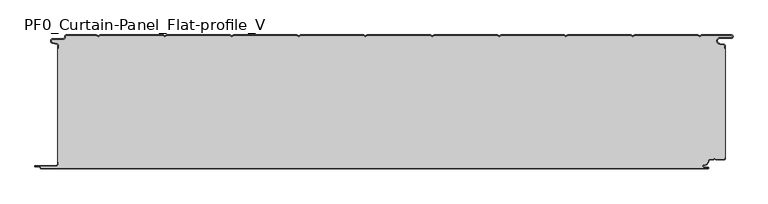
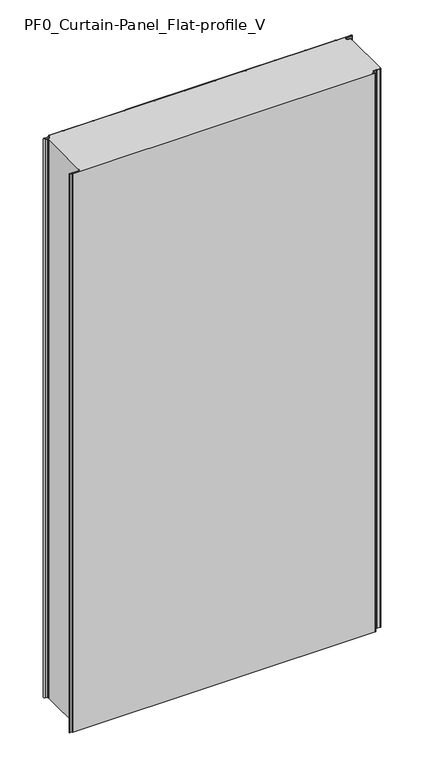
"""IFC4 building model written with IfcOpenShell, lengths in millimetres: plate geometry, PF0_Curtain-Panel_Flat-profile_V."""

from ifc_helpers import new_model, si_unit, point, frame, frame_2d, origin, origin_with_axes, place, context, project, spatial, polyline, circle_curve, trimmed, segment, composite_curve, outline, extrude, source, transform, mapped, element, save
from ifc_brep_helpers import plane_surface, cylinder_surface, revolved_surface, advanced_brep


def pf0_curtain_panel_flat_profile_v_ca90f8be(model_context):
    return source(origin(), model_context, "Body", "SolidModel", [
        advanced_brep(
        [(-500.0, -15.878557, 1945.7507136), (-500.0, -20.0, 1945.7507136), (-499.2, -20.0, 1945.7507136), (-499.2, -15.878557, 1945.7507136), (-501.370137, -13.1503208, 1945.7507136), (-507.529863, -11.728236, 1945.7507136), (-506.9, -6.2, 1945.7507136), (-491.4, -6.2, 1945.7507136), (-488.6, -3.4, 1945.7507136), (-488.6, -2.0, 1945.7507136), (-487.4, -0.8, 1945.7507136), (-442.3143588, -0.8, 1945.7507136), (-439.4, -2.482606, 1945.7507136), (-436.4856412, -0.8, 1945.7507136), (-342.3143588, -0.8, 1945.7507136), (-339.4, -2.482606, 1945.7507136), (-336.4856412, -0.8, 1945.7507136), (-242.3143588, -0.8, 1945.7507136), (-239.4, -2.482606, 1945.7507136), (-236.4856412, -0.8, 1945.7507136), (-142.3143588, -0.8, 1945.7507136), (-139.4, -2.482606, 1945.7507136), (-136.4856412, -0.8, 1945.7507136), (-42.3143588, -0.8, 1945.7507136), (-39.4, -2.482606, 1945.7507136), (-36.4856412, -0.8, 1945.7507136), (57.6856412, -0.8, 1945.7507136), (60.6, -2.482606, 1945.7507136), (63.5143588, -0.8, 1945.7507136), (157.6856412, -0.8, 1945.7507136), (160.6, -2.482606, 1945.7507136), (163.5143588, -0.8, 1945.7507136), (257.6856412, -0.8, 1945.7507136), (260.6, -2.482606, 1945.7507136), (263.5143588, -0.8, 1945.7507136), (357.6856412, -0.8, 1945.7507136), (360.6, -2.482606, 1945.7507136), (363.5143588, -0.8, 1945.7507136), (457.6856412, -0.8, 1945.7507136), (460.6, -2.482606, 1945.7507136), (463.5143588, -0.8, 1945.7507136), (508.1, -0.8, 1945.7507136), (508.1, -4.2, 1945.7507136), (491.1, -4.2, 1945.7507136), (490.2664884, -13.7270771, 1945.7507136), (496.7125669, -14.8636953, 1945.7507136), (498.2, -16.6363492, 1945.7507136), (498.2, -20.0, 1945.7507136), (499.0, -20.0, 1945.7507136), (499.0, -16.6363492, 1945.7507136), (496.8514855, -14.0758491, 1945.7507136), (490.405407, -12.939231, 1945.7507136), (491.1, -5.0, 1945.7507136), (508.1, -5.0, 1945.7507136), (510.6, -2.5, 1945.7507136), (508.1, 0.0, 1945.7507136), (463.2999995, 0.0, 1945.7507136), (460.6, -1.5588455, 1945.7507136), (457.9000005, 0.0, 1945.7507136), (363.2999995, 0.0, 1945.7507136), (360.6, -1.5588455, 1945.7507136), (357.9000005, 0.0, 1945.7507136), (263.2999995, 0.0, 1945.7507136), (260.6, -1.5588455, 1945.7507136), (257.9000005, 0.0, 1945.7507136), (163.2999995, 0.0, 1945.7507136), (160.6, -1.5588455, 1945.7507136), (157.9000005, 0.0, 1945.7507136), (63.2999995, 0.0, 1945.7507136), (60.6, -1.5588455, 1945.7507136), (57.9000005, 0.0, 1945.7507136), (-36.7000005, 0.0, 1945.7507136), (-39.4, -1.5588455, 1945.7507136), (-42.0999995, 0.0, 1945.7507136), (-136.7000005, 0.0, 1945.7507136), (-139.4, -1.5588455, 1945.7507136), (-142.0999995, 0.0, 1945.7507136), (-236.7000005, 0.0, 1945.7507136), (-239.4, -1.5588455, 1945.7507136), (-242.0999995, 0.0, 1945.7507136), (-336.7000005, 0.0, 1945.7507136), (-339.4, -1.5588455, 1945.7507136), (-342.0999995, 0.0, 1945.7507136), (-436.7000005, 0.0, 1945.7507136), (-439.4, -1.5588455, 1945.7507136), (-442.0999995, 0.0, 1945.7507136), (-487.4, 0.0, 1945.7507136), (-489.4, -2.0, 1945.7507136), (-489.4, -3.4, 1945.7507136), (-491.4, -5.4, 1945.7507136), (-506.9, -5.4, 1945.7507136), (-507.7098239, -12.5077322, 1945.7507136), (-501.5500979, -13.929817, 1945.7507136), (-500.0, -15.878557, 0.0), (-501.5500978, -13.9298169, 0.0), (-507.7098239, -12.507732, 0.0), (-506.9, -5.4, 0.0), (-491.4, -5.4, 0.0), (-489.4, -3.4, 0.0), (-489.4, -2.0, 0.0), (-487.4, 0.0, 0.0), (-442.0999995, 0.0, 0.0), (-439.4, -1.5588455, 0.0), (-436.7000005, 0.0, 0.0), (-342.0999995, 0.0, 0.0), (-339.4, -1.5588455, 0.0), (-336.7000005, 0.0, 0.0), (-242.0999995, 0.0, 0.0), (-239.4, -1.5588455, 0.0), (-236.7000005, 0.0, 0.0), (-142.0999995, 0.0, 0.0), (-139.4, -1.5588455, 0.0), (-136.7000005, 0.0, 0.0), (-42.0999995, 0.0, 0.0), (-39.4, -1.5588455, 0.0), (-36.7000005, 0.0, 0.0), (57.9000005, 0.0, 0.0), (60.6, -1.5588455, 0.0), (63.2999995, 0.0, 0.0), (157.9000005, 0.0, 0.0), (160.6, -1.5588455, 0.0), (163.2999995, 0.0, 0.0), (257.9000005, 0.0, 0.0), (260.6, -1.5588455, 0.0), (263.2999995, 0.0, 0.0), (357.9000005, 0.0, 0.0), (360.6, -1.5588455, 0.0), (363.2999995, 0.0, 0.0), (457.9000005, 0.0, 0.0), (460.6, -1.5588455, 0.0), (463.2999995, 0.0, 0.0), (508.1, 0.0, 0.0), (510.6, -2.5, 0.0), (508.1, -5.0, 0.0), (491.1, -5.0, 0.0), (490.405407, -12.939231, 0.0), (496.8514855, -14.0758491, 0.0), (499.0, -16.6363492, 0.0), (499.0, -20.0, 0.0), (498.2, -20.0, 0.0), (498.2, -16.6363492, 0.0), (496.7125669, -14.8636953, 0.0), (490.2664884, -13.7270772, 0.0), (491.1, -4.2, 0.0), (508.1, -4.2, 0.0), (508.1, -0.8, 0.0), (463.5143588, -0.8, 0.0), (460.6, -2.482606, 0.0), (457.6856412, -0.8, 0.0), (363.5143588, -0.8, 0.0), (360.6, -2.482606, 0.0), (357.6856412, -0.8, 0.0), (263.5143588, -0.8, 0.0), (260.6, -2.482606, 0.0), (257.6856412, -0.8, 0.0), (163.5143588, -0.8, 0.0), (160.6, -2.482606, 0.0), (157.6856412, -0.8, 0.0), (63.5143588, -0.8, 0.0), (60.6, -2.482606, 0.0), (57.6856412, -0.8, 0.0), (-36.4856412, -0.8, 0.0), (-39.4, -2.482606, 0.0), (-42.3143588, -0.8, 0.0), (-136.4856412, -0.8, 0.0), (-139.4, -2.482606, 0.0), (-142.3143588, -0.8, 0.0), (-236.4856412, -0.8, 0.0), (-239.4, -2.482606, 0.0), (-242.3143588, -0.8, 0.0), (-336.4856412, -0.8, 0.0), (-339.4, -2.482606, 0.0), (-342.3143588, -0.8, 0.0), (-436.4856412, -0.8, 0.0), (-439.4, -2.482606, 0.0), (-442.3143588, -0.8, 0.0), (-487.4, -0.8, 0.0), (-488.6, -2.0, 0.0), (-488.6, -3.4, 0.0), (-491.4, -6.2, 0.0), (-506.9, -6.2, 0.0), (-507.529863, -11.7282362, 0.0), (-501.370137, -13.150321, 0.0), (-499.2, -15.878557, 0.0), (-499.2, -20.0, 0.0), (-500.0, -20.0, 0.0)],
        [
            (0, 1),
            (1, 2),
            (2, 3),
            (3, 4, circle_curve(frame((-502.0, -15.878557, 1945.7507136), z_axis=(0.0, 0.0, 1.0), x_axis=(1.0, 0.0, 0.0)), 2.8)),
            (4, 5),
            (5, 6, circle_curve(frame((-506.9, -9.0, 1945.7507136), z_axis=(0.0, 0.0, -1.0), x_axis=(1.0, 0.0, 0.0)), 2.8)),
            (6, 7),
            (7, 8, circle_curve(frame((-491.4, -3.4, 1945.7507136), z_axis=(0.0, 0.0, 1.0), x_axis=(1.0, 0.0, 0.0)), 2.8)),
            (8, 9),
            (9, 10, circle_curve(frame((-487.4, -2.0, 1945.7507136), z_axis=(0.0, 0.0, -1.0), x_axis=(1.0, 0.0, 0.0)), 1.2)),
            (10, 11),
            (11, 12),
            (12, 13),
            (13, 14),
            (14, 15),
            (15, 16),
            (16, 17),
            (17, 18),
            (18, 19),
            (19, 20),
            (20, 21),
            (21, 22),
            (22, 23),
            (23, 24),
            (24, 25),
            (25, 26),
            (26, 27),
            (27, 28),
            (28, 29),
            (29, 30),
            (30, 31),
            (31, 32),
            (32, 33),
            (33, 34),
            (34, 35),
            (35, 36),
            (36, 37),
            (37, 38),
            (38, 39),
            (39, 40),
            (40, 41),
            (41, 42, circle_curve(frame((508.1, -2.5, 1945.7507136), z_axis=(0.0, 0.0, -1.0), x_axis=(1.0, 0.0, 0.0)), 1.7)),
            (42, 43),
            (43, 44, circle_curve(frame((491.1, -9.0, 1945.7507136), z_axis=(0.0, 0.0, 1.0), x_axis=(1.0, 0.0, 0.0)), 4.8)),
            (44, 45),
            (45, 46, circle_curve(frame((496.4, -16.6363492, 1945.7507136), z_axis=(0.0, 0.0, -1.0), x_axis=(1.0, 0.0, 0.0)), 1.8)),
            (46, 47),
            (47, 48),
            (48, 49),
            (49, 50, circle_curve(frame((496.4, -16.6363492, 1945.7507136), z_axis=(0.0, 0.0, 1.0), x_axis=(1.0, 0.0, 0.0)), 2.6)),
            (50, 51),
            (51, 52, circle_curve(frame((491.1, -9.0, 1945.7507136), z_axis=(0.0, 0.0, -1.0), x_axis=(1.0, 0.0, 0.0)), 4.0)),
            (52, 53),
            (53, 54, circle_curve(frame((508.1, -2.5, 1945.7507136), z_axis=(0.0, 0.0, 1.0), x_axis=(1.0, 0.0, 0.0)), 2.5)),
            (54, 55, circle_curve(frame((508.1, -2.5, 1945.7507136), z_axis=(0.0, 0.0, 1.0), x_axis=(1.0, 0.0, 0.0)), 2.5)),
            (55, 56),
            (56, 57),
            (57, 58),
            (58, 59),
            (59, 60),
            (60, 61),
            (61, 62),
            (62, 63),
            (63, 64),
            (64, 65),
            (65, 66),
            (66, 67),
            (67, 68),
            (68, 69),
            (69, 70),
            (70, 71),
            (71, 72),
            (72, 73),
            (73, 74),
            (74, 75),
            (75, 76),
            (76, 77),
            (77, 78),
            (78, 79),
            (79, 80),
            (80, 81),
            (81, 82),
            (82, 83),
            (83, 84),
            (84, 85),
            (85, 86),
            (86, 87, circle_curve(frame((-487.4, -2.0, 1945.7507136), z_axis=(0.0, 0.0, 1.0), x_axis=(1.0, 0.0, 0.0)), 2.0)),
            (87, 88),
            (88, 89, circle_curve(frame((-491.4, -3.4, 1945.7507136), z_axis=(0.0, 0.0, -1.0), x_axis=(1.0, 0.0, 0.0)), 2.0)),
            (89, 90),
            (90, 91, circle_curve(frame((-506.9, -9.0, 1945.7507136), z_axis=(0.0, 0.0, 1.0), x_axis=(1.0, 0.0, 0.0)), 3.6)),
            (91, 92),
            (92, 0, circle_curve(frame((-502.0, -15.878557, 1945.7507136), z_axis=(0.0, 0.0, -1.0), x_axis=(1.0, 0.0, 0.0)), 2.0)),
            (93, 94, circle_curve(frame((-502.0, -15.878557, 0.0), z_axis=(0.0, 0.0, 1.0), x_axis=(1.0, 0.0, 0.0)), 2.0)),
            (94, 95),
            (95, 96, circle_curve(frame((-506.9, -9.0, 0.0), z_axis=(0.0, 0.0, -1.0), x_axis=(1.0, 0.0, 0.0)), 3.6)),
            (96, 97),
            (97, 98, circle_curve(frame((-491.4, -3.4, 0.0), z_axis=(0.0, 0.0, 1.0), x_axis=(1.0, 0.0, 0.0)), 2.0)),
            (98, 99),
            (99, 100, circle_curve(frame((-487.4, -2.0, 0.0), z_axis=(0.0, 0.0, -1.0), x_axis=(1.0, 0.0, 0.0)), 2.0)),
            (100, 101),
            (101, 102),
            (102, 103),
            (103, 104),
            (104, 105),
            (105, 106),
            (106, 107),
            (107, 108),
            (108, 109),
            (109, 110),
            (110, 111),
            (111, 112),
            (112, 113),
            (113, 114),
            (114, 115),
            (115, 116),
            (116, 117),
            (117, 118),
            (118, 119),
            (119, 120),
            (120, 121),
            (121, 122),
            (122, 123),
            (123, 124),
            (124, 125),
            (125, 126),
            (126, 127),
            (127, 128),
            (128, 129),
            (129, 130),
            (130, 131),
            (131, 132, circle_curve(frame((508.1, -2.5, 0.0), z_axis=(0.0, 0.0, -1.0), x_axis=(1.0, 0.0, 0.0)), 2.5)),
            (132, 133, circle_curve(frame((508.1, -2.5, 0.0), z_axis=(0.0, 0.0, -1.0), x_axis=(1.0, 0.0, 0.0)), 2.5)),
            (133, 134),
            (134, 135, circle_curve(frame((491.1, -9.0, 0.0), z_axis=(0.0, 0.0, 1.0), x_axis=(1.0, 0.0, 0.0)), 4.0)),
            (135, 136),
            (136, 137, circle_curve(frame((496.4, -16.6363492, 0.0), z_axis=(0.0, 0.0, -1.0), x_axis=(1.0, 0.0, 0.0)), 2.6)),
            (137, 138),
            (138, 139),
            (139, 140),
            (140, 141, circle_curve(frame((496.4, -16.6363492, 0.0), z_axis=(0.0, 0.0, 1.0), x_axis=(1.0, 0.0, 0.0)), 1.8)),
            (141, 142),
            (142, 143, circle_curve(frame((491.1, -9.0, 0.0), z_axis=(0.0, 0.0, -1.0), x_axis=(1.0, 0.0, 0.0)), 4.8)),
            (143, 144),
            (144, 145, circle_curve(frame((508.1, -2.5, 0.0), z_axis=(0.0, 0.0, 1.0), x_axis=(1.0, 0.0, 0.0)), 1.7)),
            (145, 146),
            (146, 147),
            (147, 148),
            (148, 149),
            (149, 150),
            (150, 151),
            (151, 152),
            (152, 153),
            (153, 154),
            (154, 155),
            (155, 156),
            (156, 157),
            (157, 158),
            (158, 159),
            (159, 160),
            (160, 161),
            (161, 162),
            (162, 163),
            (163, 164),
            (164, 165),
            (165, 166),
            (166, 167),
            (167, 168),
            (168, 169),
            (169, 170),
            (170, 171),
            (171, 172),
            (172, 173),
            (173, 174),
            (174, 175),
            (175, 176),
            (176, 177, circle_curve(frame((-487.4, -2.0, 0.0), z_axis=(0.0, 0.0, 1.0), x_axis=(1.0, 0.0, 0.0)), 1.2)),
            (177, 178),
            (178, 179, circle_curve(frame((-491.4, -3.4, 0.0), z_axis=(0.0, 0.0, -1.0), x_axis=(1.0, 0.0, 0.0)), 2.8)),
            (179, 180),
            (180, 181, circle_curve(frame((-506.9, -9.0, 0.0), z_axis=(0.0, 0.0, 1.0), x_axis=(1.0, 0.0, 0.0)), 2.8)),
            (181, 182),
            (182, 183, circle_curve(frame((-502.0, -15.878557, 0.0), z_axis=(0.0, 0.0, -1.0), x_axis=(1.0, 0.0, 0.0)), 2.8)),
            (183, 184),
            (184, 185),
            (185, 93),
            (0, 93),
            (185, 1),
            (184, 2),
            (183, 3),
            (182, 4),
            (181, 5),
            (180, 6),
            (179, 7),
            (178, 8),
            (177, 9),
            (176, 10),
            (175, 11),
            (174, 12),
            (173, 13),
            (172, 14),
            (171, 15),
            (170, 16),
            (169, 17),
            (168, 18),
            (167, 19),
            (166, 20),
            (165, 21),
            (164, 22),
            (163, 23),
            (162, 24),
            (161, 25),
            (160, 26),
            (159, 27),
            (158, 28),
            (157, 29),
            (156, 30),
            (155, 31),
            (154, 32),
            (153, 33),
            (152, 34),
            (151, 35),
            (150, 36),
            (149, 37),
            (148, 38),
            (147, 39),
            (146, 40),
            (145, 41),
            (144, 42),
            (143, 43),
            (142, 44),
            (141, 45),
            (140, 46),
            (139, 47),
            (138, 48),
            (137, 49),
            (136, 50),
            (135, 51),
            (134, 52),
            (133, 53),
            (131, 55),
            (56, 130),
            (129, 57),
            (128, 58),
            (127, 59),
            (126, 60),
            (125, 61),
            (124, 62),
            (123, 63),
            (122, 64),
            (121, 65),
            (120, 66),
            (119, 67),
            (118, 68),
            (117, 69),
            (116, 70),
            (115, 71),
            (114, 72),
            (113, 73),
            (112, 74),
            (111, 75),
            (110, 76),
            (109, 77),
            (108, 78),
            (107, 79),
            (106, 80),
            (105, 81),
            (104, 82),
            (103, 83),
            (102, 84),
            (101, 85),
            (100, 86),
            (99, 87),
            (98, 88),
            (97, 89),
            (96, 90),
            (95, 91),
            (94, 92),
        ],
        [
            plane_surface(frame((-500.0, 0.0, 1945.7507136), z_axis=(0.0, 0.0, 1.0), x_axis=(0.0, 1.0, 0.0))),
            plane_surface(frame((-500.0, 0.0, 0.0), z_axis=(0.0, 0.0, -1.0), x_axis=(0.0, 1.0, 0.0))),
            plane_surface(frame((-500.0, -15.878557, 1945.7507136), z_axis=(-1.0, 0.0, 0.0), x_axis=(0.0, 0.0, -1.0))),
            plane_surface(frame((-500.0, -20.0, 1945.7507136), z_axis=(0.0, -1.0, 0.0), x_axis=(0.0, 0.0, -1.0))),
            plane_surface(frame((-499.2, -20.0, 1945.7507136), z_axis=(1.0, 0.0, 0.0), x_axis=(0.0, 0.0, -1.0))),
            cylinder_surface(frame((-502.0, -15.878557, 1945.7507136), z_axis=(0.0, 0.0, 1.0), x_axis=(1.0, 0.0, 0.0)), 2.8),
            plane_surface(frame((-501.370137, -13.150321, 1945.7507136), z_axis=(0.22495108446242484, 0.9743700578318174, 0.0), x_axis=(0.0, 0.0, -1.0))),
            revolved_surface(polyline([(-504.09999999999997, -9.0, 0.0), (-504.09999999999997, -9.0, 1945.7507136)]), (-506.9, -9.0, 1945.7507136), (0.0, 0.0, -1.0)),
            plane_surface(frame((-506.9, -6.2, 1945.7507136), z_axis=(0.0, -1.0, 0.0), x_axis=(0.0, 0.0, -1.0))),
            cylinder_surface(frame((-491.4, -3.4, 1945.7507136), z_axis=(0.0, 0.0, 1.0), x_axis=(1.0, 0.0, 0.0)), 2.8),
            plane_surface(frame((-488.6, -3.4, 1945.7507136), z_axis=(1.0, 0.0, 0.0), x_axis=(0.0, 0.0, -1.0))),
            revolved_surface(polyline([(-486.2, -2.0, 0.0), (-486.2, -2.0, 1945.7507136)]), (-487.4, -2.0, 1945.7507136), (0.0, 0.0, -1.0)),
            plane_surface(frame((-487.4, -0.8, 1945.7507136), z_axis=(0.0, -1.0, 0.0), x_axis=(0.0, 0.0, -1.0))),
            plane_surface(frame((-442.3143588, -0.8, 1945.7507136), z_axis=(-0.5000000299313342, -0.8660253865035741, 0.0), x_axis=(0.0, 0.0, -1.0))),
            plane_surface(frame((-439.4, -2.482606, 1945.7507136), z_axis=(0.5000000299313233, -0.8660253865035805, 0.0), x_axis=(0.0, 0.0, -1.0))),
            plane_surface(frame((-436.4856412, -0.8, 1945.7507136), z_axis=(0.0, -1.0, 0.0), x_axis=(0.0, 0.0, -1.0))),
            plane_surface(frame((-342.3143588, -0.8, 1945.7507136), z_axis=(-0.5000000299313346, -0.8660253865035739, 0.0), x_axis=(0.0, 0.0, -1.0))),
            plane_surface(frame((-339.4, -2.482606, 1945.7507136), z_axis=(0.5000000299313251, -0.8660253865035794, 0.0), x_axis=(0.0, 0.0, -1.0))),
            plane_surface(frame((-336.4856412, -0.8, 1945.7507136), z_axis=(0.0, -1.0, 0.0), x_axis=(0.0, 0.0, -1.0))),
            plane_surface(frame((-242.3143588, -0.8, 1945.7507136), z_axis=(-0.5000000299313346, -0.866025386503574, 0.0), x_axis=(0.0, 0.0, -1.0))),
            plane_surface(frame((-239.4, -2.482606, 1945.7507136), z_axis=(0.5000000299313251, -0.8660253865035794, 0.0), x_axis=(0.0, 0.0, -1.0))),
            plane_surface(frame((-236.4856412, -0.8, 1945.7507136), z_axis=(0.0, -1.0, 0.0), x_axis=(0.0, 0.0, -1.0))),
            plane_surface(frame((-142.3143588, -0.8, 1945.7507136), z_axis=(-0.5000000299313349, -0.8660253865035739, 0.0), x_axis=(0.0, 0.0, -1.0))),
            plane_surface(frame((-139.4, -2.482606, 1945.7507136), z_axis=(0.5000000299313233, -0.8660253865035805, 0.0), x_axis=(0.0, 0.0, -1.0))),
            plane_surface(frame((-136.4856412, -0.8, 1945.7507136), z_axis=(0.0, -1.0, 0.0), x_axis=(0.0, 0.0, -1.0))),
            plane_surface(frame((-42.3143588, -0.8, 1945.7507136), z_axis=(-0.5000000299313346, -0.866025386503574, 0.0), x_axis=(0.0, 0.0, -1.0))),
            plane_surface(frame((-39.4, -2.482606, 1945.7507136), z_axis=(0.5000000299313239, -0.8660253865035802, 0.0), x_axis=(0.0, 0.0, -1.0))),
            plane_surface(frame((-36.4856412, -0.8, 1945.7507136), z_axis=(0.0, -1.0, 0.0), x_axis=(0.0, 0.0, -1.0))),
            plane_surface(frame((57.6856412, -0.8, 1945.7507136), z_axis=(-0.5000000299313347, -0.8660253865035739, 0.0), x_axis=(0.0, 0.0, -1.0))),
            plane_surface(frame((60.6, -2.482606, 1945.7507136), z_axis=(0.5000000299313232, -0.8660253865035805, 0.0), x_axis=(0.0, 0.0, -1.0))),
            plane_surface(frame((63.5143588, -0.8, 1945.7507136), z_axis=(0.0, -1.0, 0.0), x_axis=(0.0, 0.0, -1.0))),
            plane_surface(frame((157.6856412, -0.8, 1945.7507136), z_axis=(-0.5000000299313346, -0.866025386503574, 0.0), x_axis=(0.0, 0.0, -1.0))),
            plane_surface(frame((160.6, -2.482606, 1945.7507136), z_axis=(0.5000000299313262, -0.8660253865035787, 0.0), x_axis=(0.0, 0.0, -1.0))),
            plane_surface(frame((163.5143588, -0.8, 1945.7507136), z_axis=(0.0, -1.0, 0.0), x_axis=(0.0, 0.0, -1.0))),
            plane_surface(frame((257.6856412, -0.8, 1945.7507136), z_axis=(-0.5000000299313346, -0.8660253865035739, 0.0), x_axis=(0.0, 0.0, -1.0))),
            plane_surface(frame((260.6, -2.482606, 1945.7507136), z_axis=(0.5000000299313263, -0.8660253865035787, 0.0), x_axis=(0.0, 0.0, -1.0))),
            plane_surface(frame((263.5143588, -0.8, 1945.7507136), z_axis=(0.0, -1.0, 0.0), x_axis=(0.0, 0.0, -1.0))),
            plane_surface(frame((357.6856412, -0.8, 1945.7507136), z_axis=(-0.5000000299313346, -0.8660253865035739, 0.0), x_axis=(0.0, 0.0, -1.0))),
            plane_surface(frame((360.6, -2.482606, 1945.7507136), z_axis=(0.5000000299313255, -0.8660253865035792, 0.0), x_axis=(0.0, 0.0, -1.0))),
            plane_surface(frame((363.5143588, -0.8, 1945.7507136), z_axis=(0.0, -1.0, 0.0), x_axis=(0.0, 0.0, -1.0))),
            plane_surface(frame((457.6856412, -0.8, 1945.7507136), z_axis=(-0.5000000299313347, -0.8660253865035739, 0.0), x_axis=(0.0, 0.0, -1.0))),
            plane_surface(frame((460.6, -2.482606, 1945.7507136), z_axis=(0.5000000299313263, -0.8660253865035787, 0.0), x_axis=(0.0, 0.0, -1.0))),
            plane_surface(frame((463.5143588, -0.8, 1945.7507136), z_axis=(0.0, -1.0, 0.0), x_axis=(0.0, 0.0, -1.0))),
            revolved_surface(polyline([(509.8, -2.5, 0.0), (509.8, -2.5, 1945.7507136)]), (508.1, -2.5, 1945.7507136), (0.0, 0.0, -1.0)),
            plane_surface(frame((508.1, -4.2, 1945.7507136), z_axis=(0.0, 1.0, 0.0), x_axis=(0.0, 0.0, -1.0))),
            cylinder_surface(frame((491.1, -9.0, 1945.7507136), z_axis=(0.0, 0.0, 1.0), x_axis=(1.0, 0.0, 0.0)), 4.8),
            plane_surface(frame((490.2664884, -13.7270772, 1945.7507136), z_axis=(-0.17364825602592485, -0.9848077391954, 0.0), x_axis=(0.0, 0.0, -1.0))),
            revolved_surface(polyline([(498.2, -16.6363492, 0.0), (498.2, -16.6363492, 1945.7507136)]), (496.4, -16.6363492, 1945.7507136), (0.0, 0.0, -1.0)),
            plane_surface(frame((498.2, -16.6363492, 1945.7507136), z_axis=(-1.0, 0.0, 0.0), x_axis=(0.0, 0.0, -1.0))),
            plane_surface(frame((498.2, -20.0, 1945.7507136), z_axis=(0.0, -1.0, 0.0), x_axis=(0.0, 0.0, -1.0))),
            plane_surface(frame((499.0, -20.0, 1945.7507136), z_axis=(1.0, 0.0, 0.0), x_axis=(0.0, 0.0, -1.0))),
            cylinder_surface(frame((496.4, -16.6363492, 1945.7507136), z_axis=(0.0, 0.0, 1.0), x_axis=(1.0, 0.0, 0.0)), 2.6),
            plane_surface(frame((496.8514855, -14.0758491, 1945.7507136), z_axis=(0.1736482560259256, 0.9848077391953998, 0.0), x_axis=(0.0, 0.0, -1.0))),
            revolved_surface(polyline([(495.1, -9.0, 0.0), (495.1, -9.0, 1945.7507136)]), (491.1, -9.0, 1945.7507136), (0.0, 0.0, -1.0)),
            plane_surface(frame((491.1, -5.0, 1945.7507136), z_axis=(0.0, -1.0, 0.0), x_axis=(0.0, 0.0, -1.0))),
            cylinder_surface(frame((508.1, -2.5, 1945.7507136), z_axis=(0.0, 0.0, 1.0), x_axis=(1.0, 0.0, 0.0)), 2.5),
            plane_surface(frame((463.2999995, 0.0, 1945.7507136), z_axis=(-0.5000000299313235, 0.8660253865035803, 0.0), x_axis=(0.0, 0.0, -1.0))),
            plane_surface(frame((460.6, -1.5588455, 1945.7507136), z_axis=(0.5000000299313346, 0.8660253865035739, 0.0), x_axis=(0.0, 0.0, -1.0))),
            plane_surface(frame((457.9000005, 0.0, 1945.7507136), z_axis=(0.0, 1.0, 0.0), x_axis=(0.0, 0.0, -1.0))),
            plane_surface(frame((363.2999995, 0.0, 1945.7507136), z_axis=(-0.5000000299313235, 0.8660253865035803, 0.0), x_axis=(0.0, 0.0, -1.0))),
            plane_surface(frame((360.6, -1.5588455, 1945.7507136), z_axis=(0.5000000299313346, 0.8660253865035739, 0.0), x_axis=(0.0, 0.0, -1.0))),
            plane_surface(frame((357.9000005, 0.0, 1945.7507136), z_axis=(0.0, 1.0, 0.0), x_axis=(0.0, 0.0, -1.0))),
            plane_surface(frame((263.2999995, 0.0, 1945.7507136), z_axis=(-0.5000000299313235, 0.8660253865035803, 0.0), x_axis=(0.0, 0.0, -1.0))),
            plane_surface(frame((260.6, -1.5588455, 1945.7507136), z_axis=(0.5000000299313346, 0.8660253865035739, 0.0), x_axis=(0.0, 0.0, -1.0))),
            plane_surface(frame((257.9000005, 0.0, 1945.7507136), z_axis=(0.0, 1.0, 0.0), x_axis=(0.0, 0.0, -1.0))),
            plane_surface(frame((163.2999995, 0.0, 1945.7507136), z_axis=(-0.5000000299313235, 0.8660253865035803, 0.0), x_axis=(0.0, 0.0, -1.0))),
            plane_surface(frame((160.6, -1.5588455, 1945.7507136), z_axis=(0.5000000299313346, 0.8660253865035739, 0.0), x_axis=(0.0, 0.0, -1.0))),
            plane_surface(frame((157.9000005, 0.0, 1945.7507136), z_axis=(0.0, 1.0, 0.0), x_axis=(0.0, 0.0, -1.0))),
            plane_surface(frame((63.2999995, 0.0, 1945.7507136), z_axis=(-0.5000000299313235, 0.8660253865035803, 0.0), x_axis=(0.0, 0.0, -1.0))),
            plane_surface(frame((60.6, -1.5588455, 1945.7507136), z_axis=(0.5000000299313346, 0.8660253865035739, 0.0), x_axis=(0.0, 0.0, -1.0))),
            plane_surface(frame((57.9000005, 0.0, 1945.7507136), z_axis=(0.0, 1.0, 0.0), x_axis=(0.0, 0.0, -1.0))),
            plane_surface(frame((-36.7000005, 0.0, 1945.7507136), z_axis=(-0.5000000299313235, 0.8660253865035803, 0.0), x_axis=(0.0, 0.0, -1.0))),
            plane_surface(frame((-39.4, -1.5588455, 1945.7507136), z_axis=(0.5000000299313346, 0.8660253865035739, 0.0), x_axis=(0.0, 0.0, -1.0))),
            plane_surface(frame((-42.0999995, 0.0, 1945.7507136), z_axis=(0.0, 1.0, 0.0), x_axis=(0.0, 0.0, -1.0))),
            plane_surface(frame((-136.7000005, 0.0, 1945.7507136), z_axis=(-0.5000000299313235, 0.8660253865035803, 0.0), x_axis=(0.0, 0.0, -1.0))),
            plane_surface(frame((-139.4, -1.5588455, 1945.7507136), z_axis=(0.5000000299313346, 0.8660253865035739, 0.0), x_axis=(0.0, 0.0, -1.0))),
            plane_surface(frame((-142.0999995, 0.0, 1945.7507136), z_axis=(0.0, 1.0, 0.0), x_axis=(0.0, 0.0, -1.0))),
            plane_surface(frame((-236.7000005, 0.0, 1945.7507136), z_axis=(-0.5000000299313235, 0.8660253865035803, 0.0), x_axis=(0.0, 0.0, -1.0))),
            plane_surface(frame((-239.4, -1.5588455, 1945.7507136), z_axis=(0.5000000299313346, 0.8660253865035739, 0.0), x_axis=(0.0, 0.0, -1.0))),
            plane_surface(frame((-242.0999995, 0.0, 1945.7507136), z_axis=(0.0, 1.0, 0.0), x_axis=(0.0, 0.0, -1.0))),
            plane_surface(frame((-336.7000005, 0.0, 1945.7507136), z_axis=(-0.5000000299313235, 0.8660253865035803, 0.0), x_axis=(0.0, 0.0, -1.0))),
            plane_surface(frame((-339.4, -1.5588455, 1945.7507136), z_axis=(0.5000000299313346, 0.8660253865035739, 0.0), x_axis=(0.0, 0.0, -1.0))),
            plane_surface(frame((-342.0999995, 0.0, 1945.7507136), z_axis=(0.0, 1.0, 0.0), x_axis=(0.0, 0.0, -1.0))),
            plane_surface(frame((-436.7000005, 0.0, 1945.7507136), z_axis=(-0.5000000299313235, 0.8660253865035803, 0.0), x_axis=(0.0, 0.0, -1.0))),
            plane_surface(frame((-439.4, -1.5588455, 1945.7507136), z_axis=(0.5000000299313346, 0.8660253865035739, 0.0), x_axis=(0.0, 0.0, -1.0))),
            plane_surface(frame((-442.0999995, 0.0, 1945.7507136), z_axis=(0.0, 1.0, 0.0), x_axis=(0.0, 0.0, -1.0))),
            cylinder_surface(frame((-487.4, -2.0, 1945.7507136), z_axis=(0.0, 0.0, 1.0), x_axis=(1.0, 0.0, 0.0)), 2.0),
            plane_surface(frame((-489.4, -2.0, 1945.7507136), z_axis=(-1.0, 0.0, 0.0), x_axis=(0.0, 0.0, -1.0))),
            revolved_surface(polyline([(-489.4, -3.4, 0.0), (-489.4, -3.4, 1945.7507136)]), (-491.4, -3.4, 1945.7507136), (0.0, 0.0, -1.0)),
            plane_surface(frame((-491.4, -5.4, 1945.7507136), z_axis=(0.0, 1.0, 0.0), x_axis=(0.0, 0.0, -1.0))),
            cylinder_surface(frame((-506.9, -9.0, 1945.7507136), z_axis=(0.0, 0.0, 1.0), x_axis=(1.0, 0.0, 0.0)), 3.6),
            plane_surface(frame((-507.7098239, -12.507732, 1945.7507136), z_axis=(-0.22495108446242487, -0.9743700578318174, 0.0), x_axis=(0.0, 0.0, -1.0))),
            revolved_surface(polyline([(-500.0, -15.878557, 0.0), (-500.0, -15.878557, 1945.7507136)]), (-502.0, -15.878557, 1945.7507136), (0.0, 0.0, -1.0)),
            plane_surface(frame((508.1, 0.0, 1945.7507136), z_axis=(0.0, 1.0, 0.0), x_axis=(0.0, 0.0, -1.0))),
        ],
        [
            (0, [[1, 2, 3, 4, 5, 6, 7, 8, 9, 10, 11, 12, 13, 14, 15, 16, 17, 18, 19, 20, 21, 22, 23, 24, 25, 26, 27, 28, 29, 30, 31, 32, 33, 34, 35, 36, 37, 38, 39, 40, 41, 42, 43, 44, 45, 46, 47, 48, 49, 50, 51, 52, 53, 54, 55, 56, 57, 58, 59, 60, 61, 62, 63, 64, 65, 66, 67, 68, 69, 70, 71, 72, 73, 74, 75, 76, 77, 78, 79, 80, 81, 82, 83, 84, 85, 86, 87, 88, 89, 90, 91, 92, 93]]),
            (1, [[94, 95, 96, 97, 98, 99, 100, 101, 102, 103, 104, 105, 106, 107, 108, 109, 110, 111, 112, 113, 114, 115, 116, 117, 118, 119, 120, 121, 122, 123, 124, 125, 126, 127, 128, 129, 130, 131, 132, 133, 134, 135, 136, 137, 138, 139, 140, 141, 142, 143, 144, 145, 146, 147, 148, 149, 150, 151, 152, 153, 154, 155, 156, 157, 158, 159, 160, 161, 162, 163, 164, 165, 166, 167, 168, 169, 170, 171, 172, 173, 174, 175, 176, 177, 178, 179, 180, 181, 182, 183, 184, 185, 186]]),
            (2, [[-1, 187, -186, 188]]),
            (3, [[-2, -188, -185, 189]]),
            (4, [[-3, -189, -184, 190]]),
            (5, [[-4, -190, -183, 191]]),
            (6, [[-5, -191, -182, 192]]),
            (7, [[-6, -192, -181, 193]]),
            (8, [[-7, -193, -180, 194]]),
            (9, [[-8, -194, -179, 195]]),
            (10, [[-9, -195, -178, 196]]),
            (11, [[-10, -196, -177, 197]]),
            (12, [[-11, -197, -176, 198]]),
            (13, [[-12, -198, -175, 199]]),
            (14, [[-13, -199, -174, 200]]),
            (15, [[-14, -200, -173, 201]]),
            (16, [[-15, -201, -172, 202]]),
            (17, [[-16, -202, -171, 203]]),
            (18, [[-17, -203, -170, 204]]),
            (19, [[-18, -204, -169, 205]]),
            (20, [[-19, -205, -168, 206]]),
            (21, [[-20, -206, -167, 207]]),
            (22, [[-21, -207, -166, 208]]),
            (23, [[-22, -208, -165, 209]]),
            (24, [[-23, -209, -164, 210]]),
            (25, [[-24, -210, -163, 211]]),
            (26, [[-25, -211, -162, 212]]),
            (27, [[-26, -212, -161, 213]]),
            (28, [[-27, -213, -160, 214]]),
            (29, [[-28, -214, -159, 215]]),
            (30, [[-29, -215, -158, 216]]),
            (31, [[-30, -216, -157, 217]]),
            (32, [[-31, -217, -156, 218]]),
            (33, [[-32, -218, -155, 219]]),
            (34, [[-33, -219, -154, 220]]),
            (35, [[-34, -220, -153, 221]]),
            (36, [[-35, -221, -152, 222]]),
            (37, [[-36, -222, -151, 223]]),
            (38, [[-37, -223, -150, 224]]),
            (39, [[-38, -224, -149, 225]]),
            (40, [[-39, -225, -148, 226]]),
            (41, [[-40, -226, -147, 227]]),
            (42, [[-41, -227, -146, 228]]),
            (43, [[-42, -228, -145, 229]]),
            (44, [[-43, -229, -144, 230]]),
            (45, [[-44, -230, -143, 231]]),
            (46, [[-45, -231, -142, 232]]),
            (47, [[-46, -232, -141, 233]]),
            (48, [[-47, -233, -140, 234]]),
            (49, [[-48, -234, -139, 235]]),
            (50, [[-49, -235, -138, 236]]),
            (51, [[-50, -236, -137, 237]]),
            (52, [[-51, -237, -136, 238]]),
            (53, [[-52, -238, -135, 239]]),
            (54, [[-53, -239, -134, 240]]),
            (55, [[-240, -133, -132, 241, -55, -54]]),
            (56, [[-57, 242, -130, 243]]),
            (57, [[-58, -243, -129, 244]]),
            (58, [[-59, -244, -128, 245]]),
            (59, [[-60, -245, -127, 246]]),
            (60, [[-61, -246, -126, 247]]),
            (61, [[-62, -247, -125, 248]]),
            (62, [[-63, -248, -124, 249]]),
            (63, [[-64, -249, -123, 250]]),
            (64, [[-65, -250, -122, 251]]),
            (65, [[-66, -251, -121, 252]]),
            (66, [[-67, -252, -120, 253]]),
            (67, [[-68, -253, -119, 254]]),
            (68, [[-69, -254, -118, 255]]),
            (69, [[-70, -255, -117, 256]]),
            (70, [[-71, -256, -116, 257]]),
            (71, [[-72, -257, -115, 258]]),
            (72, [[-73, -258, -114, 259]]),
            (73, [[-74, -259, -113, 260]]),
            (74, [[-75, -260, -112, 261]]),
            (75, [[-76, -261, -111, 262]]),
            (76, [[-77, -262, -110, 263]]),
            (77, [[-78, -263, -109, 264]]),
            (78, [[-79, -264, -108, 265]]),
            (79, [[-80, -265, -107, 266]]),
            (80, [[-81, -266, -106, 267]]),
            (81, [[-82, -267, -105, 268]]),
            (82, [[-83, -268, -104, 269]]),
            (83, [[-84, -269, -103, 270]]),
            (84, [[-85, -270, -102, 271]]),
            (85, [[-86, -271, -101, 272]]),
            (86, [[-87, -272, -100, 273]]),
            (87, [[-88, -273, -99, 274]]),
            (88, [[-89, -274, -98, 275]]),
            (89, [[-90, -275, -97, 276]]),
            (90, [[-91, -276, -96, 277]]),
            (91, [[-92, -277, -95, 278]]),
            (92, [[-93, -278, -94, -187]]),
            (93, [[-56, -241, -131, -242]]),
        ],
    ),
        extrude(outline(composite_curve([segment(polyline([(-499.2, -190.0), (-500.0, -190.0), (-500.0, -20.0), (-499.2, -20.0), (-499.2, -15.878557)]), True, "CONTINUOUS"), segment(trimmed(circle_curve(frame_2d((-502.0, -15.878557)), 2.8), [point((-499.2, -15.878557))], [point((-501.370137, -13.1503208))], True, "CARTESIAN"), True, "CONTINUOUS"), segment(polyline([(-501.370137, -13.1503208), (-507.529863, -11.7282362)]), True, "CONTINUOUS"), segment(trimmed(circle_curve(frame_2d((-506.9, -9.0)), 2.8), [point((-507.529863, -11.7282362))], [point((-506.9, -6.2))], False, "CARTESIAN"), True, "CONTINUOUS"), segment(polyline([(-506.9, -6.2), (-491.4, -6.2)]), True, "CONTINUOUS"), segment(trimmed(circle_curve(frame_2d((-491.4, -3.4)), 2.8), [point((-491.4, -6.2))], [point((-488.6, -3.4))], True, "CARTESIAN"), True, "CONTINUOUS"), segment(polyline([(-488.6, -3.4), (-488.6, -2.0)]), True, "CONTINUOUS"), segment(trimmed(circle_curve(frame_2d((-487.4, -2.0)), 1.2), [point((-488.6, -2.0))], [point((-487.4, -0.8))], False, "CARTESIAN"), True, "CONTINUOUS"), segment(polyline([(-487.4, -0.8), (-442.3143588, -0.8), (-439.4, -2.482606), (-436.4856412, -0.8), (-342.3143588, -0.8), (-339.4, -2.482606), (-336.4856412, -0.8), (-242.3143588, -0.8), (-239.4, -2.482606), (-236.4856412, -0.8), (-142.3143588, -0.8), (-139.4, -2.482606), (-136.4856412, -0.8), (-42.3143588, -0.8), (-39.4, -2.482606), (-36.4856412, -0.8), (57.6856412, -0.8), (60.6, -2.482606), (63.5143588, -0.8), (157.6856412, -0.8), (160.6, -2.482606), (163.5143588, -0.8), (257.6856412, -0.8), (260.6, -2.482606), (263.5143588, -0.8), (357.6856412, -0.8), (360.6, -2.482606), (363.5143588, -0.8), (457.6856412, -0.8), (460.6, -2.482606), (463.5143588, -0.8), (508.1, -0.8)]), True, "CONTINUOUS"), segment(trimmed(circle_curve(frame_2d((508.1, -2.5)), 1.7), [point((508.1, -0.8))], [point((508.1, -4.2))], False, "CARTESIAN"), True, "CONTINUOUS"), segment(polyline([(508.1, -4.2), (491.1, -4.2)]), True, "CONTINUOUS"), segment(trimmed(circle_curve(frame_2d((491.1, -9.0)), 4.8), [point((491.1, -4.2))], [point((490.2664884, -13.7270772))], True, "CARTESIAN"), True, "CONTINUOUS"), segment(polyline([(490.2664884, -13.7270772), (496.7125669, -14.8636953)]), True, "CONTINUOUS"), segment(trimmed(circle_curve(frame_2d((496.4, -16.6363492)), 1.8), [point((496.7125669, -14.8636953))], [point((498.2, -16.6363492))], False, "CARTESIAN"), True, "CONTINUOUS"), segment(polyline([(498.2, -16.6363492), (498.2, -20.0), (499.0, -20.0), (499.0, -183.0), (498.2, -183.0), (498.2, -184.4)]), True, "CONTINUOUS"), segment(trimmed(circle_curve(frame_2d((496.4, -184.4)), 1.8), [point((498.2, -184.4))], [point((496.4, -186.2))], False, "CARTESIAN"), True, "CONTINUOUS"), segment(polyline([(496.4, -186.2), (484.8313698, -186.2), (483.0, -184.3686285), (481.1686302, -186.2), (475.0, -186.2)]), True, "CONTINUOUS"), segment(trimmed(circle_curve(frame_2d((475.0, -188.0)), 1.8), [point((475.0, -186.2))], [point((473.2, -188.0))], True, "CARTESIAN"), True, "CONTINUOUS"), segment(polyline([(473.2, -188.0), (473.2, -188.8276204)]), True, "CONTINUOUS"), segment(trimmed(circle_curve(frame_2d((467.8276204, -188.8276204)), 5.3723796), [point((473.2, -188.8276204))], [point((467.8276204, -194.2))], False, "CARTESIAN"), True, "CONTINUOUS"), segment(polyline([(467.8276204, -194.2), (467.0, -194.2)]), True, "CONTINUOUS"), segment(trimmed(circle_curve(frame_2d((467.0, -196.4)), 2.2), [point((467.0, -194.2))], [point((467.0, -198.6))], True, "CARTESIAN"), True, "CONTINUOUS"), segment(polyline([(467.0, -198.6), (472.8891513, -198.6)]), True, "CONTINUOUS"), segment(trimmed(circle_curve(frame_2d((472.8891513, -198.9)), 0.3), [point((472.8891513, -198.6))], [point((472.8891513, -199.2))], False, "CARTESIAN"), True, "CONTINUOUS"), segment(polyline([(472.8891513, -199.2), (-524.4, -199.2)]), True, "CONTINUOUS"), segment(trimmed(circle_curve(frame_2d((-524.4, -198.4)), 0.8), [point((-524.4, -199.2))], [point((-525.2, -198.4))], False, "CARTESIAN"), True, "CONTINUOUS"), segment(trimmed(circle_curve(frame_2d((-526.9, -198.6133333)), 1.7133333), [point((-525.2, -198.4))], [point((-526.9, -196.9))], True, "CARTESIAN"), True, "CONTINUOUS"), segment(polyline([(-526.9, -196.9), (-532.8700312, -196.9)]), True, "CONTINUOUS"), segment(trimmed(circle_curve(frame_2d((-532.8700312, -196.6)), 0.3), [point((-532.8700312, -196.9))], [point((-532.8700312, -196.3))], False, "CARTESIAN"), True, "CONTINUOUS"), segment(polyline([(-532.8700312, -196.3), (-502.0, -196.3)]), True, "CONTINUOUS"), segment(trimmed(circle_curve(frame_2d((-502.0, -193.5)), 2.8), [point((-502.0, -196.3))], [point((-499.2, -193.5))], True, "CARTESIAN"), True, "CONTINUOUS"), segment(polyline([(-499.2, -193.5), (-499.2, -190.0)]), True, "CONTINUOUS")], self_intersect=False)), origin_with_axes(), (0.0, 0.0, 1.0), 1945.7507136),
        extrude(outline(composite_curve([segment(polyline([(-500.0, -190.0), (-499.2, -190.0), (-499.2, -193.5)]), True, "CONTINUOUS"), segment(trimmed(circle_curve(frame_2d((-502.0, -193.5)), 2.8), [point((-499.2, -193.5))], [point((-502.0, -196.3))], False, "CARTESIAN"), True, "CONTINUOUS"), segment(polyline([(-502.0, -196.3), (-532.8700312, -196.3)]), True, "CONTINUOUS"), segment(trimmed(circle_curve(frame_2d((-532.8700312, -196.6)), 0.3), [point((-532.8700312, -196.3))], [point((-532.8700312, -196.9))], True, "CARTESIAN"), True, "CONTINUOUS"), segment(polyline([(-532.8700312, -196.9), (-526.9, -196.9)]), True, "CONTINUOUS"), segment(trimmed(circle_curve(frame_2d((-526.9, -198.6133333)), 1.7133333), [point((-526.9, -196.9))], [point((-525.2, -198.4))], False, "CARTESIAN"), True, "CONTINUOUS"), segment(trimmed(circle_curve(frame_2d((-524.4, -198.4)), 0.8), [point((-525.2, -198.4))], [point((-524.4, -199.2))], True, "CARTESIAN"), True, "CONTINUOUS"), segment(polyline([(-524.4, -199.2), (472.8891513, -199.2)]), True, "CONTINUOUS"), segment(trimmed(circle_curve(frame_2d((472.8891513, -198.9)), 0.3), [point((472.8891513, -199.2))], [point((472.8891513, -198.6))], True, "CARTESIAN"), True, "CONTINUOUS"), segment(polyline([(472.8891513, -198.6), (467.0, -198.6)]), True, "CONTINUOUS"), segment(trimmed(circle_curve(frame_2d((467.0, -196.4)), 2.2), [point((467.0, -198.6))], [point((467.0, -194.2))], False, "CARTESIAN"), True, "CONTINUOUS"), segment(polyline([(467.0, -194.2), (467.8276204, -194.2)]), True, "CONTINUOUS"), segment(trimmed(circle_curve(frame_2d((467.8276204, -188.8276204)), 5.3723796), [point((467.8276204, -194.2))], [point((473.2, -188.8276204))], True, "CARTESIAN"), True, "CONTINUOUS"), segment(polyline([(473.2, -188.8276204), (473.2, -188.0)]), True, "CONTINUOUS"), segment(trimmed(circle_curve(frame_2d((475.0, -188.0)), 1.8), [point((473.2, -188.0))], [point((475.0, -186.2))], False, "CARTESIAN"), True, "CONTINUOUS"), segment(polyline([(475.0, -186.2), (481.1686302, -186.2), (483.0, -184.3686285), (484.8313698, -186.2), (496.4, -186.2)]), True, "CONTINUOUS"), segment(trimmed(circle_curve(frame_2d((496.4, -184.4)), 1.8), [point((496.4, -186.2))], [point((498.2, -184.4))], True, "CARTESIAN"), True, "CONTINUOUS"), segment(polyline([(498.2, -184.4), (498.2, -183.0), (499.0, -183.0), (499.0, -184.4)]), True, "CONTINUOUS"), segment(trimmed(circle_curve(frame_2d((496.4, -184.4)), 2.6), [point((499.0, -184.4))], [point((496.4, -187.0))], False, "CARTESIAN"), True, "CONTINUOUS"), segment(polyline([(496.4, -187.0), (484.4999988, -187.0), (483.0, -185.4999999), (481.5000012, -187.0), (475.0, -187.0)]), True, "CONTINUOUS"), segment(trimmed(circle_curve(frame_2d((475.0, -188.0)), 1.0), [point((475.0, -187.0))], [point((474.0, -188.0))], True, "CARTESIAN"), True, "CONTINUOUS"), segment(polyline([(474.0, -188.0), (474.0, -188.8276204)]), True, "CONTINUOUS"), segment(trimmed(circle_curve(frame_2d((467.8276204, -188.8276204)), 6.1723796), [point((474.0, -188.8276204))], [point((467.8276204, -195.0))], False, "CARTESIAN"), True, "CONTINUOUS"), segment(polyline([(467.8276204, -195.0), (467.0, -195.0)]), True, "CONTINUOUS"), segment(trimmed(circle_curve(frame_2d((467.0, -196.5)), 1.5), [point((467.0, -195.0))], [point((467.0, -198.0))], True, "CARTESIAN"), True, "CONTINUOUS"), segment(polyline([(467.0, -198.0), (473.0, -198.0)]), True, "CONTINUOUS"), segment(trimmed(circle_curve(frame_2d((473.0, -199.0)), 1.0), [point((473.0, -198.0))], [point((473.0, -200.0))], False, "CARTESIAN"), True, "CONTINUOUS"), segment(polyline([(473.0, -200.0), (-524.4, -200.0)]), True, "CONTINUOUS"), segment(trimmed(circle_curve(frame_2d((-524.4, -198.4)), 1.6), [point((-524.4, -200.0))], [point((-526.0, -198.4))], False, "CARTESIAN"), True, "CONTINUOUS"), segment(trimmed(circle_curve(frame_2d((-526.9, -198.4)), 0.9), [point((-526.0, -198.4))], [point((-526.9, -197.5))], True, "CARTESIAN"), True, "CONTINUOUS"), segment(polyline([(-526.9, -197.5), (-533.0, -197.5)]), True, "CONTINUOUS"), segment(trimmed(circle_curve(frame_2d((-533.0, -196.5)), 1.0), [point((-533.0, -197.5))], [point((-533.0, -195.5))], False, "CARTESIAN"), True, "CONTINUOUS"), segment(polyline([(-533.0, -195.5), (-502.0, -195.5)]), True, "CONTINUOUS"), segment(trimmed(circle_curve(frame_2d((-502.0, -193.5)), 2.0), [point((-502.0, -195.5))], [point((-500.0, -193.5))], True, "CARTESIAN"), True, "CONTINUOUS"), segment(polyline([(-500.0, -193.5), (-500.0, -190.0)]), True, "CONTINUOUS")], self_intersect=False)), origin_with_axes(), (0.0, 0.0, 1.0), 1945.7507136),
    ])


if __name__ == "__main__":
    model = new_model("IFC4")
    model_context = context("Model", 3, world=origin())
    ifc_project = project(units=[si_unit("LENGTHUNIT", "METRE", prefix="MILLI")], contexts=[model_context])
    site = spatial("IfcSite", under=ifc_project)
    building = spatial("IfcBuilding", under=site)
    placement = place(None, origin())
    pf0_curtain_panel_flat_profile_v_shape = pf0_curtain_panel_flat_profile_v_ca90f8be(model_context)
    element("IfcPlate", 1, ObjectType="PF0_Curtain-Panel_Flat-profile_V", at=placement, inside=building, context=model_context, shape_type="MappedRepresentation", body=[
        mapped(pf0_curtain_panel_flat_profile_v_shape, transform((0.0, 0.0, 0.0), x_axis=(1.0, 0.0, 0.0), y_axis=(0.0, 1.0, 0.0), z_axis=(0.0, 0.0, 1.0))),
    ])
    save(model, "model.ifc")
